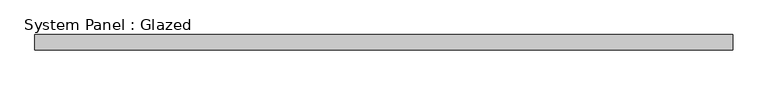
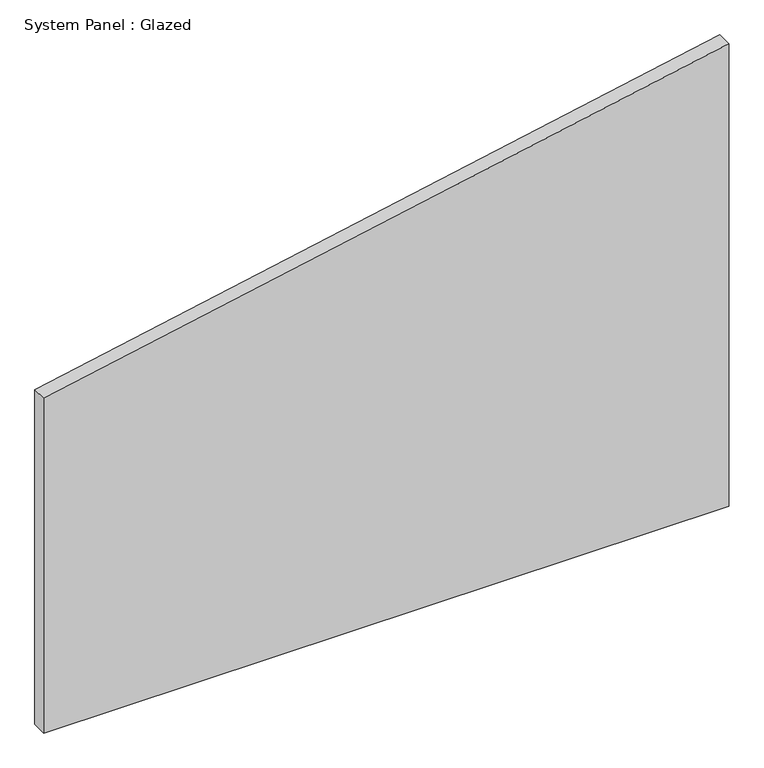
"""IFC4 building model written with IfcOpenShell, lengths in millimetres: plate geometry, System Panel : Glazed."""

from ifc_helpers import new_model, si_unit, frame, origin, place, context, project, spatial, polyline, outline, extrude, source, transform, mapped, element, save


def system_panel_glazed_408002f4(model_context):
    return source(origin(), model_context, "Body", "SweptSolid", [
        extrude(outline(polyline([(0.0, -577.375), (0.0, 577.375), (823.614946, 577.375), (595.8511918, -577.375), (0.0, -577.375)])), frame((0.0, 19.05, 0.0), z_axis=(0.0, 1.0, 0.0), x_axis=(0.0, 0.0, 1.0)), (0.0, 0.0, 1.0), 25.4),
    ])


if __name__ == "__main__":
    model = new_model("IFC4")
    model_context = context("Model", 3, world=origin())
    ifc_project = project(units=[si_unit("LENGTHUNIT", "METRE", prefix="MILLI")], contexts=[model_context])
    site = spatial("IfcSite", under=ifc_project)
    building = spatial("IfcBuilding", under=site)
    placement = place(None, origin())
    system_panel_glazed_shape = system_panel_glazed_408002f4(model_context)
    element("IfcPlate", 1, ObjectType="System Panel : Glazed", at=placement, inside=building, context=model_context, shape_type="MappedRepresentation", body=[
        mapped(system_panel_glazed_shape, transform((0.0, 0.0, 0.0), x_axis=(1.0, 0.0, 0.0), y_axis=(0.0, 1.0, 0.0), z_axis=(0.0, 0.0, 1.0))),
    ])
    save(model, "model.ifc")
